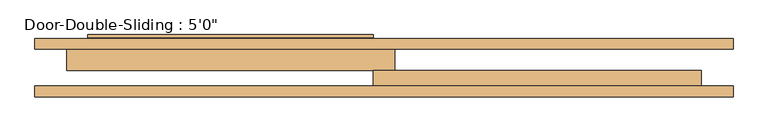
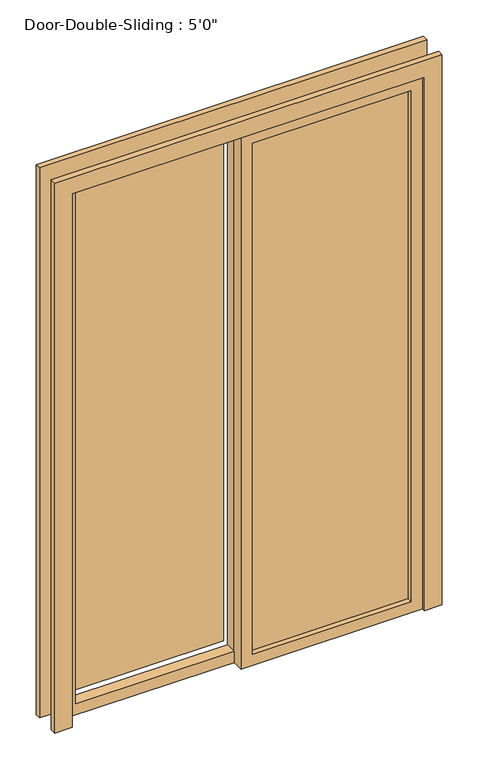
"""IFC4 building model written with IfcOpenShell, lengths in millimetres: door geometry."""

from ifc_helpers import new_model, si_unit, frame, origin, place, context, project, spatial, polyline, outline, extrude, source, transform, mapped, element, save


def door_ff2d4f17(model_context):
    return source(origin(), model_context, "Body", "SweptSolid", [
        extrude(outline(polyline([(2438.4, -25.4), (0.0, -25.4), (0.0, 762.0), (2438.4, 762.0), (2438.4, -25.4)]), holes=[polyline([(2387.6, 25.4), (2387.6, 711.2), (50.8, 711.2), (50.8, 25.4), (2387.6, 25.4)])]), frame((0.0, 69.85, 0.0), z_axis=(0.0, 1.0, 0.0), x_axis=(0.0, 0.0, 1.0)), (0.0, 0.0, 1.0), 50.8),
        extrude(outline(polyline([(2438.4, 25.4), (2438.4, -762.0), (0.0, -762.0), (0.0, 25.4), (2438.4, 25.4)]), holes=[polyline([(2387.6, -25.4), (50.8, -25.4), (50.8, -711.2), (2387.6, -711.2), (2387.6, -25.4)])]), frame((0.0, 120.65, 0.0), z_axis=(0.0, 1.0, 0.0), x_axis=(0.0, 0.0, 1.0)), (0.0, 0.0, 1.0), 50.8),
        extrude(outline(polyline([(0.0, -838.2), (0.0, -762.0), (2438.4, -762.0), (2438.4, 762.0), (0.0, 762.0), (0.0, 838.2), (2514.6, 838.2), (2514.6, -838.2), (0.0, -838.2)])), frame((0.0, 57.15, 0.0), z_axis=(0.0, 1.0, 0.0), x_axis=(0.0, 0.0, 1.0)), (0.0, 0.0, 1.0), 25.4),
        extrude(outline(polyline([(0.0, 838.2), (2514.6, 838.2), (2514.6, -838.2), (0.0, -838.2), (0.0, -762.0), (2438.4, -762.0), (2438.4, 762.0), (0.0, 762.0), (0.0, 838.2)])), frame((0.0, 171.45, 0.0), z_axis=(0.0, 1.0, 0.0), x_axis=(0.0, 0.0, 1.0)), (0.0, 0.0, 1.0), 25.4),
        extrude(outline(polyline([(25.4, 98.425), (711.2, 98.425), (711.2, 92.075), (25.4, 92.075), (25.4, 98.425)])), frame((0.0, 0.0, 50.8), z_axis=(0.0, 0.0, 1.0), x_axis=(1.0, 0.0, 0.0)), (0.0, 0.0, 1.0), 2336.8),
        extrude(outline(polyline([(-25.4, 200.025), (-711.2, 200.025), (-711.2, 206.375), (-25.4, 206.375), (-25.4, 200.025)])), frame((0.0, 0.0, 50.8), z_axis=(0.0, 0.0, 1.0), x_axis=(1.0, 0.0, 0.0)), (0.0, 0.0, 1.0), 2336.8),
    ])


if __name__ == "__main__":
    model = new_model("IFC4")
    model_context = context("Model", 3, world=origin())
    ifc_project = project(units=[si_unit("LENGTHUNIT", "METRE", prefix="MILLI")], contexts=[model_context])
    site = spatial("IfcSite", under=ifc_project)
    building = spatial("IfcBuilding", under=site)
    placement = place(None, origin())
    door_shape = door_ff2d4f17(model_context)
    element("IfcDoor", 1, ObjectType="Door-Double-Sliding : 5'0\"", at=placement, inside=building, context=model_context, shape_type="MappedRepresentation", body=[
        mapped(door_shape, transform((0.0, 0.0, 0.0), x_axis=(1.0, 0.0, 0.0), y_axis=(0.0, 1.0, 0.0), z_axis=(0.0, 0.0, 1.0))),
    ])
    save(model, "model.ifc")
